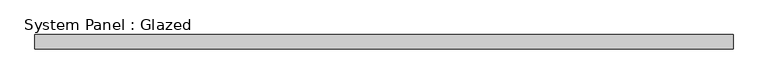
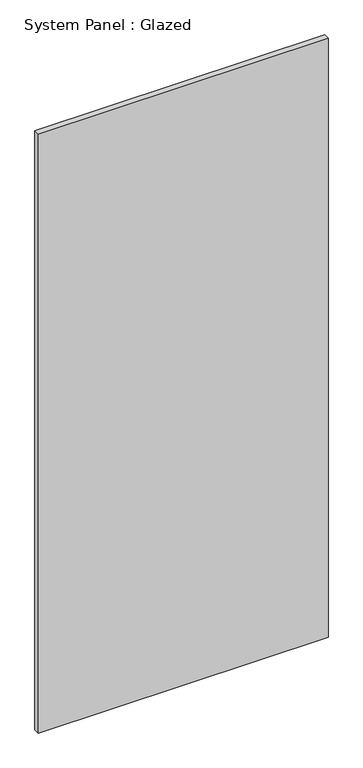
"""IFC4 building model written with IfcOpenShell, lengths in millimetres: plate geometry, System Panel : Glazed."""

from ifc_helpers import new_model, si_unit, origin, origin_with_axes, place, context, project, spatial, polyline, outline, extrude, source, transform, mapped, element, save


def system_panel_glazed_cd4c7426(model_context):
    return source(origin(), model_context, "Body", "SweptSolid", [
        extrude(outline(polyline([(615.95, -44.45), (-615.95, -44.45), (-615.95, -19.05), (615.95, -19.05), (615.95, -44.45)])), origin_with_axes(), (0.0, 0.0, 1.0), 2692.4),
    ])


if __name__ == "__main__":
    model = new_model("IFC4")
    model_context = context("Model", 3, world=origin())
    ifc_project = project(units=[si_unit("LENGTHUNIT", "METRE", prefix="MILLI")], contexts=[model_context])
    site = spatial("IfcSite", under=ifc_project)
    building = spatial("IfcBuilding", under=site)
    placement = place(None, origin())
    system_panel_glazed_shape = system_panel_glazed_cd4c7426(model_context)
    element("IfcPlate", 1, ObjectType="System Panel : Glazed", at=placement, inside=building, context=model_context, shape_type="MappedRepresentation", body=[
        mapped(system_panel_glazed_shape, transform((0.0, 0.0, 0.0), x_axis=(1.0, 0.0, 0.0), y_axis=(0.0, 1.0, 0.0), z_axis=(0.0, 0.0, 1.0))),
    ])
    save(model, "model.ifc")
